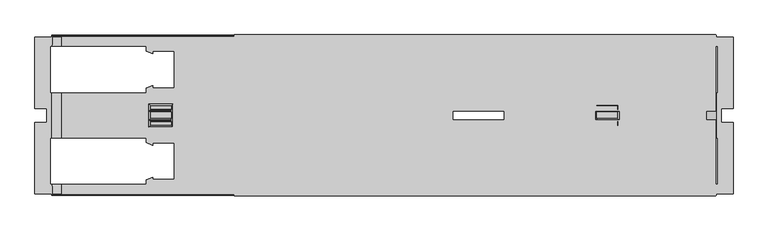
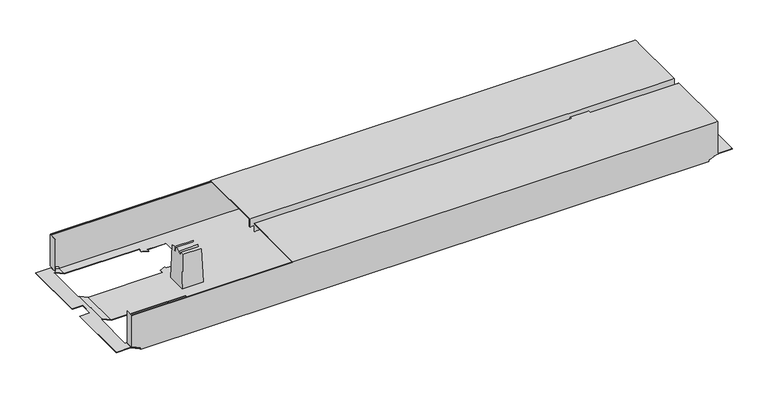
"""IFC4 building model written with IfcOpenShell, lengths in millimetres: furniture geometry."""

from ifc_helpers import new_model, si_unit, origin, place, context, project, spatial, triangles, source, transform, mapped, element, save


def furniture_a58c804f(model_context):
    return source(origin(), model_context, "Body", "Tessellation", [
        triangles([(-1197.9848923, 8921.9879526, 526.9999909), (-1197.9848923, 8921.9879526, 507.9999879), (-169.9848678, 8921.9879526, 526.9999909), (-169.9848678, 8921.9879526, 507.9999879), (-1197.9848923, 8760.8879022, 526.9999909), (-169.9848678, 8760.8879022, 526.9999909), (-1197.9848923, 8760.8879022, 507.9999879), (-169.9848678, 8760.8879022, 507.9999879), (-1197.9848923, 8759.8879632, 507.9999879), (-169.9848678, 8759.8879632, 507.9999879), (-1197.9848923, 8759.8879632, 528.0000026), (-169.9848678, 8759.8879632, 528.0000026), (-1197.9848923, 8922.9878915, 528.0000026), (-169.9848678, 8922.9878915, 528.0000026), (-1197.9848923, 8922.9878915, 507.9999879), (-169.9848678, 8922.9878915, 507.9999879), (-1197.9848923, 8740.088009, 526.9999909), (-1197.9848923, 8740.088009, 507.9999879), (-169.9848678, 8740.088009, 526.9999909), (-169.9848678, 8740.088009, 507.9999879), (-1197.9848923, 8578.9879587, 526.9999909), (-169.9848678, 8578.9879587, 526.9999909), (-1197.9848923, 8578.9879587, 507.9999879), (-169.9848678, 8578.9879587, 507.9999879), (-1197.9848923, 8577.9880197, 507.9999879), (-169.9848678, 8577.9880197, 507.9999879), (-1197.9848923, 8577.9880197, 528.0000026), (-169.9848678, 8577.9880197, 528.0000026), (-1197.9848923, 8741.087948, 528.0000026), (-169.9848678, 8741.087948, 528.0000026), (-1197.9848923, 8741.087948, 507.9999879), (-169.9848678, 8741.087948, 507.9999879), (-1565.4849169, 8578.9879587, 432.000012), (-190.4848701, 8578.9879587, 432.000012), (-1565.4849169, 8578.9879587, 435.9999859), (-190.4848701, 8578.9879587, 435.9999859), (-1585.4848589, 8578.9879587, 445.3260155), (-170.4848645, 8578.9879587, 445.3260155), (-1585.4848589, 8578.9879587, 526.0000156), (-170.4848645, 8578.9879587, 526.0000156), (-168.4848685, 8578.9879587, 445.3260155), (-168.4848685, 8578.9879587, 526.0000156), (-1587.4848822, 8578.9879587, 526.0000156), (-1587.4848822, 8578.9879587, 445.3260155), (-620.8848708, 8789.6878885, 432.000012), (-430.5848586, 8691.6880563, 432.000012), (-620.8848708, 8711.2880227, 432.000012), (-430.5848586, 8613.2881906, 432.000012), (-681.0848663, 8700.4881006, 432.000012), (-1325.3848921, 8613.2881906, 432.000012), (-731.0848303, 8700.4881006, 432.000012), (-1325.3848921, 8691.6880563, 432.000012), (-1325.3848921, 8809.2884363, 432.000012), (-1385.5848513, 8798.4879327, 432.000012), (-1371.7848215, 8809.2884363, 432.000012), (-1385.5848513, 8808.7721887, 432.000012), (-1371.7848215, 8814.4881189, 432.000012), (-667.2848729, 8789.6878885, 432.000012), (-681.0848663, 8800.488392, 432.000012), (-430.5848586, 8887.688302, 432.000012), (-430.5848586, 8809.2884363, 432.000012), (-667.2848729, 8784.4882059, 432.000012), (-681.0848663, 8790.1058862, 432.000012), (-1325.3848921, 8887.688302, 432.000012), (-731.0848303, 8800.488392, 432.000012), (-667.2848729, 8711.2880227, 432.000012), (-681.0848663, 8710.870025, 432.000012), (-667.2848729, 8716.4882867, 432.000012), (-1385.5848513, 8602.4882684, 432.000012), (-370.384863, 8602.4882684, 432.000012), (-190.4848701, 8582.4883264, 432.000012), (-189.4848675, 8602.4882684, 432.000012), (-189.4848675, 8582.4883264, 432.000012), (-1565.4849169, 8582.4883264, 432.000012), (-1566.4848559, 8602.4882684, 432.000012), (-1566.4848559, 8582.4883264, 432.000012), (-1385.5848513, 8612.771943, 432.000012), (-1371.7848215, 8613.2881906, 432.000012), (-384.1848746, 8613.2881906, 432.000012), (-1371.7848215, 8618.4878732, 432.000012), (-1385.5848513, 8702.4879785, 432.000012), (-1371.7848215, 8691.6880563, 432.000012), (-1385.5848513, 8692.2043039, 432.000012), (-1371.7848215, 8686.4883737, 432.000012), (-1566.4848559, 8702.4879785, 432.000012), (-1566.4848559, 8798.4879327, 432.000012), (-1371.7848215, 8887.688302, 432.000012), (-1385.5848513, 8898.4882242, 432.000012), (-370.384863, 8898.4882242, 432.000012), (-384.1848746, 8887.688302, 432.000012), (-370.384863, 8888.2039682, 432.000012), (-384.1848746, 8882.488038, 432.000012), (-1371.7848215, 8882.488038, 432.000012), (-1385.5848513, 8888.2039682, 432.000012), (-1566.4848559, 8898.4882242, 432.000012), (-1565.4849169, 8918.4881662, 432.000012), (-1565.4849169, 8921.9879526, 432.000012), (-190.4848701, 8921.9879526, 432.000012), (-1566.4848559, 8918.4881662, 432.000012), (-190.4848701, 8918.4881662, 432.000012), (-189.4848675, 8898.4882242, 432.000012), (-189.4848675, 8918.4881662, 432.000012), (-384.1848746, 8809.2884363, 432.000012), (-370.384863, 8798.4879327, 432.000012), (-370.384863, 8702.4879785, 432.000012), (-384.1848746, 8691.6880563, 432.000012), (-370.384863, 8692.2043039, 432.000012), (-384.1848746, 8686.4883737, 432.000012), (-384.1848746, 8814.4881189, 432.000012), (-370.384863, 8808.7721887, 432.000012), (-189.4848675, 8798.4879327, 432.000012), (-189.4848675, 8702.4879785, 432.000012), (-384.1848746, 8618.4878732, 432.000012), (-370.384863, 8612.771943, 432.000012), (-620.8848708, 8711.2880227, 432.9999873), (-430.5848586, 8809.2884363, 432.9999873), (-620.8848708, 8789.6878885, 432.9999873), (-430.5848586, 8887.688302, 432.9999873), (-681.0848663, 8800.488392, 432.9999873), (-1325.3848921, 8887.688302, 432.9999873), (-731.0848303, 8800.488392, 432.9999873), (-1325.3848921, 8809.2884363, 432.9999873), (-1325.3848921, 8691.6880563, 432.9999873), (-1385.5848513, 8702.4879785, 432.9999873), (-1371.7848215, 8691.6880563, 432.9999873), (-1385.5848513, 8692.2043039, 432.9999873), (-1371.7848215, 8686.4883737, 432.9999873), (-667.2848729, 8711.2880227, 432.9999873), (-681.0848663, 8700.4881006, 432.9999873), (-430.5848586, 8613.2881906, 432.9999873), (-430.5848586, 8691.6880563, 432.9999873), (-667.2848729, 8716.4882867, 432.9999873), (-681.0848663, 8710.870025, 432.9999873), (-1325.3848921, 8613.2881906, 432.9999873), (-731.0848303, 8700.4881006, 432.9999873), (-667.2848729, 8789.6878885, 432.9999873), (-681.0848663, 8790.1058862, 432.9999873), (-667.2848729, 8784.4882059, 432.9999873), (-189.7068653, 8898.4882242, 432.9999873), (-190.4848701, 8918.4881662, 432.9999873), (-370.384863, 8898.4882242, 432.9999873), (-190.4848701, 8920.9880136, 432.9999873), (-1385.5848513, 8898.4882242, 432.9999873), (-1565.4849169, 8920.9880136, 432.9999873), (-1565.4849169, 8918.4881662, 432.9999873), (-189.7068653, 8918.4881662, 432.9999873), (-1566.2629218, 8918.4881662, 432.9999873), (-1566.2629218, 8898.4882242, 432.9999873), (-1385.5848513, 8888.2039682, 432.9999873), (-1371.7848215, 8887.688302, 432.9999873), (-384.1848746, 8887.688302, 432.9999873), (-1371.7848215, 8882.488038, 432.9999873), (-1385.5848513, 8798.4879327, 432.9999873), (-1371.7848215, 8809.2884363, 432.9999873), (-1385.5848513, 8808.7721887, 432.9999873), (-1371.7848215, 8814.4881189, 432.9999873), (-1566.2629218, 8798.4879327, 432.9999873), (-1566.2629218, 8702.4879785, 432.9999873), (-1371.7848215, 8613.2881906, 432.9999873), (-1385.5848513, 8602.4882684, 432.9999873), (-370.384863, 8602.4882684, 432.9999873), (-384.1848746, 8613.2881906, 432.9999873), (-370.384863, 8612.771943, 432.9999873), (-384.1848746, 8618.4878732, 432.9999873), (-1371.7848215, 8618.4878732, 432.9999873), (-1385.5848513, 8612.771943, 432.9999873), (-1566.2629218, 8602.4882684, 432.9999873), (-1565.4849169, 8582.4883264, 432.9999873), (-1565.4849169, 8579.9878976, 432.9999873), (-190.4848701, 8579.9878976, 432.9999873), (-1566.2629218, 8582.4883264, 432.9999873), (-190.4848701, 8582.4883264, 432.9999873), (-189.7068653, 8602.4882684, 432.9999873), (-189.7068653, 8582.4883264, 432.9999873), (-384.1848746, 8691.6880563, 432.9999873), (-370.384863, 8702.4879785, 432.9999873), (-370.384863, 8798.4879327, 432.9999873), (-384.1848746, 8809.2884363, 432.9999873), (-370.384863, 8808.7721887, 432.9999873), (-384.1848746, 8814.4881189, 432.9999873), (-384.1848746, 8686.4883737, 432.9999873), (-370.384863, 8692.2043039, 432.9999873), (-189.7068653, 8702.4879785, 432.9999873), (-189.7068653, 8798.4879327, 432.9999873), (-384.1848746, 8882.488038, 432.9999873), (-370.384863, 8888.2039682, 432.9999873), (-1565.4849169, 8579.9878976, 435.9999859), (-190.4848701, 8579.9878976, 435.9999859), (-1585.4848589, 8579.9878976, 445.3260155), (-170.4848645, 8579.9878976, 445.3260155), (-170.4848645, 8579.9878976, 511.9999981), (-169.4848619, 8579.9878976, 445.3260155), (-169.4848619, 8579.9878976, 526.0000156), (-170.4848645, 8579.9878976, 526.0000156), (-1585.4848589, 8579.9878976, 511.9999981), (-1586.4847979, 8579.9878976, 445.3260155), (-1586.4847979, 8579.9878976, 526.0000156), (-1585.4848589, 8579.9878976, 526.0000156), (-1585.4848589, 8919.9880746, 526.0000156), (-170.4848645, 8919.9880746, 526.0000156), (-1585.4848589, 8920.28108, 526.7069856), (-170.4848645, 8920.28108, 526.7069856), (-1585.4848589, 8920.9880136, 526.9999909), (-170.4848645, 8920.9880136, 526.9999909), (-1585.4848589, 8921.6949472, 526.7069856), (-170.4848645, 8921.6949472, 526.7069856), (-1585.4848589, 8921.9879526, 526.0000156), (-170.4848645, 8921.9879526, 526.0000156), (-1585.4848589, 8919.9880746, 511.9999981), (-170.4848645, 8919.9880746, 511.9999981), (-1585.4848589, 8920.9880136, 511.9999981), (-170.4848645, 8920.9880136, 511.9999981), (-1585.4848589, 8580.988418, 511.9999981), (-170.4848645, 8580.988418, 511.9999981), (-1585.4848589, 8580.988418, 526.0000156), (-170.4848645, 8580.988418, 526.0000156), (-1585.4848589, 8579.280964, 526.7069856), (-170.4848645, 8579.280964, 526.7069856), (-1585.4848589, 8579.9878976, 526.9999909), (-170.4848645, 8579.9878976, 526.9999909), (-1585.4848589, 8580.6954126, 526.7069856), (-170.4848645, 8580.6954126, 526.7069856), (-1585.4848589, 8921.9879526, 445.3260155), (-1587.4848822, 8921.9879526, 445.3260155), (-1587.4848822, 8921.9879526, 526.0000156), (-170.4848645, 8921.9879526, 445.3260155), (-168.4848685, 8921.9879526, 526.0000156), (-168.4848685, 8921.9879526, 445.3260155), (-1565.4849169, 8921.9879526, 435.9999859), (-190.4848701, 8921.9879526, 435.9999859), (-170.4848645, 8920.9880136, 445.3260155), (-1585.4848589, 8920.9880136, 445.3260155), (-190.4848701, 8920.9880136, 435.9999859), (-1565.4849169, 8920.9880136, 435.9999859), (-169.4848619, 8920.9880136, 445.3260155), (-169.4848619, 8920.9880136, 526.0000156), (-170.4848645, 8920.9880136, 526.0000156), (-1586.4847979, 8920.9880136, 445.3260155), (-1586.4847979, 8920.9880136, 526.0000156), (-1585.4848589, 8920.9880136, 526.0000156), (-168.0398647, 8702.4879785, 441.999983), (-168.0398647, 8798.4879327, 441.999983), (-165.3848669, 8702.4879785, 441.999983), (-165.3848669, 8798.4879327, 441.999983), (-157.4848677, 8765.4882028, 441.999983), (-165.3848669, 8898.4882242, 441.999983), (-132.4848675, 8918.4881662, 441.999983), (-168.0398647, 8918.4881662, 441.999983), (-168.0398647, 8898.4882242, 441.999983), (-132.4848675, 8765.4882028, 441.999983), (-157.4848677, 8735.4882898, 441.999983), (-165.3848669, 8602.4882684, 441.999983), (-132.4848675, 8582.4883264, 441.999983), (-168.0398647, 8582.4883264, 441.999983), (-132.4848675, 8735.4882898, 441.999983), (-168.0398647, 8602.4882684, 441.999983), (-165.3848669, 8702.4879785, 442.9999947), (-165.3848669, 8602.4882684, 442.9999947), (-168.2618625, 8798.4879327, 442.9999947), (-168.2618625, 8702.4879785, 442.9999947), (-165.3848669, 8898.4882242, 442.9999947), (-165.3848669, 8798.4879327, 442.9999947), (-157.4848677, 8765.4882028, 442.9999947), (-132.4848675, 8918.4881662, 442.9999947), (-168.2618625, 8918.4881662, 442.9999947), (-157.4848677, 8735.4882898, 442.9999947), (-132.4848675, 8582.4883264, 442.9999947), (-168.2618625, 8582.4883264, 442.9999947), (-168.2618625, 8602.4882684, 442.9999947), (-132.4848675, 8735.4882898, 442.9999947), (-132.4848675, 8765.4882028, 442.9999947), (-168.2618625, 8898.4882242, 442.9999947), (-169.4848619, 8901.9880105, 526.0000156), (-169.4848619, 8901.9880105, 445.3260155), (-168.4848685, 8901.9880105, 445.3260155), (-168.4848685, 8901.9880105, 526.0000156), (-169.4848619, 8598.9879007, 445.3260155), (-169.4848619, 8598.9879007, 526.0000156), (-168.4848685, 8598.9879007, 445.3260155), (-168.4848685, 8598.9879007, 526.0000156), (-1587.4848822, 8598.9879007, 526.0000156), (-1587.4848822, 8598.9879007, 445.3260155), (-1586.4847979, 8598.9879007, 526.0000156), (-1586.4847979, 8598.9879007, 445.3260155), (-1587.4848822, 8901.9880105, 445.3260155), (-1587.4848822, 8901.9880105, 526.0000156), (-1586.4847979, 8901.9880105, 445.3260155), (-1586.4847979, 8901.9880105, 526.0000156), (-1587.7078337, 8798.4879327, 442.9999947), (-1587.7078337, 8702.4879785, 442.9999947), (-1587.9299132, 8702.4879785, 441.999983), (-1587.9299132, 8798.4879327, 441.999983), (-1590.5848383, 8602.4882684, 441.999983), (-1598.4849375, 8735.4882898, 441.999983), (-1590.5848383, 8702.4879785, 441.999983), (-1598.4849375, 8765.4882028, 441.999983), (-1590.5848383, 8798.4879327, 441.999983), (-1590.5848383, 8898.4882242, 441.999983), (-1623.484865, 8918.4881662, 441.999983), (-1587.9299132, 8918.4881662, 441.999983), (-1587.9299132, 8602.4882684, 441.999983), (-1587.9299132, 8582.4883264, 441.999983), (-1623.484865, 8582.4883264, 441.999983), (-1623.484865, 8735.4882898, 441.999983), (-1623.484865, 8765.4882028, 441.999983), (-1587.9299132, 8898.4882242, 441.999983), (-1623.484865, 8735.4882898, 442.9999947), (-1623.484865, 8582.4883264, 442.9999947), (-1598.4849375, 8735.4882898, 442.9999947), (-1590.5848383, 8602.4882684, 442.9999947), (-1590.5848383, 8702.4879785, 442.9999947), (-1587.7078337, 8582.4883264, 442.9999947), (-1587.7078337, 8602.4882684, 442.9999947), (-1590.5848383, 8798.4879327, 442.9999947), (-1598.4849375, 8765.4882028, 442.9999947), (-1590.5848383, 8898.4882242, 442.9999947), (-1623.484865, 8918.4881662, 442.9999947), (-1587.7078337, 8918.4881662, 442.9999947), (-1587.7078337, 8898.4882242, 442.9999947), (-1623.484865, 8765.4882028, 442.9999947), (-378.4528662, 8743.587214, 519.5000127), (-378.1038686, 8741.5879175, 509.5000053), (-378.4528662, 8757.3892785, 519.5000127), (-378.1038686, 8759.3879938, 509.5000053), (-375.4848606, 8725.9882883, 433.4999931), (-375.4848606, 8774.9882043, 433.4999931), (-378.1038686, 8739.5880395, 509.5000053), (-378.4178574, 8728.9212488, 518.500001), (-378.4178574, 8737.7893121, 518.500001), (-378.1038686, 8761.3878717, 509.5000053), (-378.4178574, 8772.0552438, 518.500001), (-378.4178574, 8763.1871805, 518.500001), (-423.516867, 8743.587214, 519.5000127), (-423.516867, 8757.3892785, 519.5000127), (-423.8658646, 8741.5879175, 509.5000053), (-423.8658646, 8759.3879938, 509.5000053), (-426.4848545, 8725.9882883, 433.4999931), (-426.4848545, 8774.9882043, 433.4999931), (-423.8658646, 8761.3878717, 509.5000053), (-423.5518576, 8772.0552438, 518.500001), (-423.5518576, 8763.1871805, 518.500001), (-423.8658646, 8739.5880395, 509.5000053), (-423.5518576, 8728.9212488, 518.500001), (-423.5518576, 8737.7893121, 518.500001), (-1332.45292, 8743.587214, 519.5000127), (-1332.1038134, 8741.5879175, 509.5000053), (-1332.45292, 8757.3892785, 519.5000127), (-1332.1038134, 8759.3879938, 509.5000053), (-1329.4849326, 8725.9882883, 433.4999931), (-1329.4849326, 8774.9882043, 433.4999931), (-1332.1038134, 8739.5880395, 509.5000053), (-1332.4178931, 8728.9212488, 518.500001), (-1332.4178931, 8737.7893121, 518.500001), (-1332.1038134, 8761.3878717, 509.5000053), (-1332.4178931, 8772.0552438, 518.500001), (-1332.4178931, 8763.1871805, 518.500001), (-1377.5168845, 8743.587214, 519.5000127), (-1377.5168845, 8757.3892785, 519.5000127), (-1377.8658457, 8741.5879175, 509.5000053), (-1377.8658457, 8759.3879938, 509.5000053), (-1380.4848719, 8725.9882883, 433.4999931), (-1380.4848719, 8774.9882043, 433.4999931), (-1377.8658457, 8761.3878717, 509.5000053), (-1377.5519114, 8772.0552438, 518.500001), (-1377.5519114, 8763.1871805, 518.500001), (-1377.8658457, 8739.5880395, 509.5000053), (-1377.5519114, 8728.9212488, 518.500001), (-1377.5519114, 8737.7893121, 518.500001)], [[1, 2, 3], [3, 2, 4], [5, 1, 6], [6, 1, 3], [7, 5, 8], [8, 5, 6], [9, 7, 10], [10, 7, 8], [11, 9, 12], [12, 9, 10], [13, 11, 14], [14, 11, 12], [15, 13, 16], [16, 13, 14], [2, 15, 4], [4, 15, 16], [2, 1, 15], [15, 1, 13], [13, 1, 5], [13, 5, 11], [11, 5, 9], [9, 5, 7], [4, 16, 3], [14, 3, 16], [6, 3, 14], [12, 6, 14], [10, 6, 12], [10, 8, 6], [17, 18, 19], [19, 18, 20], [21, 17, 22], [22, 17, 19], [23, 21, 24], [24, 21, 22], [25, 23, 26], [26, 23, 24], [27, 25, 28], [28, 25, 26], [29, 27, 30], [30, 27, 28], [31, 29, 32], [32, 29, 30], [18, 31, 20], [20, 31, 32], [18, 17, 31], [31, 17, 29], [29, 17, 21], [29, 21, 27], [27, 21, 25], [25, 21, 23], [20, 32, 19], [30, 19, 32], [22, 19, 30], [28, 22, 30], [26, 22, 28], [26, 24, 22], [33, 34, 35], [35, 34, 36], [37, 35, 36], [37, 36, 38], [37, 38, 39], [39, 38, 40], [40, 38, 41], [40, 41, 42], [39, 43, 37], [37, 43, 44], [45, 46, 47], [47, 46, 48], [49, 47, 48], [50, 49, 48], [49, 50, 51], [51, 50, 52], [51, 52, 53], [53, 52, 54], [53, 54, 55], [55, 54, 56], [57, 55, 56], [45, 58, 59], [60, 45, 59], [45, 60, 61], [62, 63, 58], [58, 63, 59], [60, 59, 64], [64, 59, 65], [64, 65, 53], [53, 65, 51], [47, 49, 66], [66, 49, 67], [68, 66, 67], [33, 69, 34], [34, 69, 70], [34, 70, 71], [71, 70, 72], [71, 72, 73], [33, 74, 69], [69, 74, 75], [75, 74, 76], [69, 77, 78], [69, 78, 50], [69, 50, 70], [70, 50, 48], [70, 48, 79], [77, 80, 78], [54, 52, 81], [81, 52, 82], [81, 82, 83], [83, 82, 84], [85, 86, 81], [81, 86, 54], [64, 87, 88], [89, 64, 88], [64, 89, 60], [60, 89, 90], [90, 89, 91], [92, 90, 91], [93, 94, 87], [87, 94, 88], [95, 96, 88], [88, 96, 97], [98, 88, 97], [95, 99, 96], [88, 98, 89], [89, 98, 100], [89, 100, 101], [101, 100, 102], [61, 103, 104], [61, 104, 105], [61, 105, 46], [46, 105, 106], [106, 105, 107], [108, 106, 107], [109, 110, 103], [103, 110, 104], [111, 112, 104], [104, 112, 105], [113, 114, 79], [79, 114, 70], [45, 61, 46], [115, 116, 117], [117, 116, 118], [119, 117, 118], [120, 119, 118], [119, 120, 121], [121, 120, 122], [121, 122, 123], [123, 122, 124], [123, 124, 125], [125, 124, 126], [127, 125, 126], [115, 128, 129], [130, 115, 129], [115, 130, 131], [132, 133, 128], [128, 133, 129], [130, 129, 134], [134, 129, 135], [134, 135, 123], [123, 135, 121], [117, 119, 136], [136, 119, 137], [138, 136, 137], [139, 140, 141], [141, 140, 142], [143, 141, 142], [144, 143, 142], [143, 144, 145], [139, 146, 140], [147, 148, 145], [145, 148, 143], [143, 149, 150], [143, 150, 120], [143, 120, 141], [141, 120, 118], [141, 118, 151], [149, 152, 150], [124, 122, 153], [153, 122, 154], [153, 154, 155], [155, 154, 156], [157, 158, 153], [153, 158, 124], [134, 159, 160], [161, 134, 160], [134, 161, 130], [130, 161, 162], [162, 161, 163], [164, 162, 163], [165, 166, 159], [159, 166, 160], [167, 168, 160], [160, 168, 169], [170, 160, 169], [167, 171, 168], [160, 170, 161], [161, 170, 172], [161, 172, 173], [173, 172, 174], [131, 175, 176], [131, 176, 177], [131, 177, 116], [116, 177, 178], [178, 177, 179], [180, 178, 179], [181, 182, 175], [175, 182, 176], [183, 184, 176], [176, 184, 177], [185, 186, 151], [151, 186, 141], [115, 131, 116], [169, 187, 170], [170, 187, 188], [188, 187, 189], [190, 188, 189], [190, 189, 191], [190, 191, 192], [192, 191, 193], [193, 191, 194], [191, 189, 195], [195, 189, 196], [197, 195, 196], [197, 198, 195], [199, 200, 201], [201, 200, 202], [201, 202, 203], [203, 202, 204], [203, 204, 205], [205, 204, 206], [205, 206, 207], [207, 206, 208], [209, 210, 199], [199, 210, 200], [211, 212, 209], [209, 212, 210], [213, 214, 195], [195, 214, 191], [215, 216, 213], [213, 216, 214], [39, 40, 217], [217, 40, 218], [217, 218, 219], [219, 218, 220], [219, 220, 221], [221, 220, 222], [221, 222, 215], [215, 222, 216], [208, 223, 207], [207, 223, 224], [207, 224, 225], [223, 208, 226], [226, 208, 227], [226, 227, 228], [223, 226, 229], [229, 226, 230], [229, 230, 97], [97, 230, 98], [231, 232, 233], [233, 232, 234], [233, 234, 144], [232, 231, 212], [212, 231, 235], [236, 212, 235], [236, 237, 212], [212, 211, 232], [232, 211, 238], [238, 211, 239], [239, 211, 240], [144, 142, 233], [45, 47, 117], [117, 47, 115], [47, 66, 115], [115, 66, 128], [133, 132, 67], [67, 132, 68], [67, 49, 133], [133, 49, 129], [49, 51, 129], [129, 51, 135], [58, 45, 136], [136, 45, 117], [137, 119, 63], [63, 119, 59], [63, 62, 137], [137, 62, 138], [65, 59, 121], [121, 59, 119], [62, 58, 138], [138, 58, 136], [51, 65, 135], [135, 65, 121], [132, 128, 68], [68, 128, 66], [46, 106, 131], [131, 106, 175], [106, 108, 175], [175, 108, 181], [48, 46, 130], [130, 46, 131], [108, 107, 181], [181, 107, 182], [107, 105, 182], [182, 105, 176], [70, 114, 161], [161, 114, 163], [114, 113, 163], [163, 113, 164], [113, 79, 164], [164, 79, 162], [79, 48, 162], [162, 48, 130], [109, 103, 180], [180, 103, 178], [103, 61, 178], [178, 61, 116], [104, 110, 177], [177, 110, 179], [110, 109, 179], [179, 109, 180], [61, 60, 116], [116, 60, 118], [60, 90, 118], [118, 90, 151], [91, 89, 186], [186, 89, 141], [186, 185, 91], [91, 185, 92], [185, 151, 92], [92, 151, 90], [241, 242, 243], [243, 242, 244], [243, 244, 245], [245, 244, 246], [245, 246, 247], [247, 246, 248], [248, 246, 249], [247, 250, 245], [245, 251, 243], [252, 243, 251], [253, 252, 251], [252, 253, 254], [251, 255, 253], [254, 256, 252], [243, 252, 257], [257, 252, 258], [111, 242, 112], [112, 242, 241], [259, 184, 260], [260, 184, 183], [246, 244, 261], [261, 244, 262], [260, 257, 259], [259, 257, 262], [262, 257, 263], [261, 262, 263], [264, 261, 263], [261, 264, 265], [263, 257, 266], [266, 257, 258], [266, 258, 267], [267, 258, 268], [268, 258, 269], [267, 270, 266], [263, 271, 264], [265, 272, 261], [273, 236, 274], [274, 236, 235], [275, 228, 276], [276, 228, 227], [102, 248, 101], [101, 248, 249], [265, 146, 272], [272, 146, 139], [264, 271, 247], [247, 271, 250], [271, 263, 250], [250, 263, 245], [270, 267, 255], [255, 267, 253], [255, 251, 270], [270, 251, 266], [263, 266, 245], [245, 266, 251], [72, 256, 73], [73, 256, 254], [174, 268, 173], [173, 268, 269], [277, 192, 278], [278, 192, 193], [277, 278, 279], [279, 278, 280], [41, 279, 42], [42, 279, 280], [277, 279, 192], [41, 192, 279], [38, 192, 41], [38, 190, 192], [275, 276, 274], [274, 276, 273], [81, 83, 124], [124, 83, 126], [83, 84, 126], [126, 84, 127], [82, 52, 125], [125, 52, 123], [52, 50, 123], [123, 50, 134], [50, 78, 134], [134, 78, 159], [166, 165, 77], [77, 165, 80], [77, 69, 166], [166, 69, 160], [78, 80, 159], [159, 80, 165], [84, 82, 127], [127, 82, 125], [53, 55, 122], [122, 55, 154], [55, 57, 154], [154, 57, 156], [57, 56, 156], [156, 56, 155], [152, 149, 93], [93, 149, 94], [93, 87, 152], [152, 87, 150], [87, 64, 150], [150, 64, 120], [88, 94, 143], [143, 94, 149], [56, 54, 155], [155, 54, 153], [64, 53, 120], [120, 53, 122], [43, 281, 44], [44, 281, 282], [283, 197, 284], [284, 197, 196], [224, 285, 225], [225, 285, 286], [287, 285, 238], [224, 238, 285], [223, 238, 224], [223, 232, 238], [239, 288, 238], [238, 288, 287], [157, 289, 158], [158, 289, 290], [85, 291, 86], [86, 291, 292], [293, 294, 295], [295, 294, 296], [295, 296, 297], [298, 297, 296], [299, 298, 296], [298, 299, 300], [301, 302, 293], [293, 302, 303], [294, 293, 303], [294, 303, 304], [296, 305, 299], [300, 306, 298], [297, 292, 295], [295, 292, 291], [307, 308, 309], [309, 308, 310], [309, 310, 311], [308, 312, 310], [310, 312, 313], [290, 289, 311], [311, 289, 314], [311, 314, 315], [315, 314, 316], [315, 316, 317], [317, 316, 318], [318, 316, 319], [317, 320, 315], [315, 309, 311], [297, 298, 314], [314, 298, 316], [293, 295, 310], [310, 295, 311], [283, 284, 281], [281, 284, 282], [312, 171, 313], [313, 171, 167], [143, 148, 88], [88, 148, 95], [95, 148, 306], [319, 306, 148], [306, 319, 316], [316, 298, 306], [145, 96, 147], [147, 96, 99], [300, 147, 99], [299, 317, 300], [318, 300, 317], [147, 300, 318], [140, 100, 142], [98, 142, 100], [230, 142, 98], [230, 233, 142], [248, 102, 146], [146, 102, 100], [146, 100, 140], [146, 265, 248], [264, 248, 265], [248, 264, 247], [177, 184, 104], [104, 184, 111], [111, 184, 242], [259, 242, 184], [242, 259, 262], [262, 244, 242], [257, 260, 241], [183, 241, 260], [241, 183, 112], [112, 183, 105], [105, 183, 176], [241, 243, 257], [161, 173, 70], [70, 173, 72], [72, 173, 256], [269, 256, 173], [256, 269, 258], [258, 252, 256], [267, 268, 254], [174, 254, 268], [254, 174, 73], [73, 174, 71], [71, 174, 172], [254, 253, 267], [168, 74, 169], [33, 169, 74], [35, 169, 33], [35, 187, 169], [95, 306, 99], [99, 306, 300], [76, 302, 75], [75, 302, 301], [147, 318, 148], [148, 318, 319], [297, 314, 292], [292, 314, 289], [157, 292, 289], [153, 54, 157], [86, 157, 54], [292, 157, 86], [293, 310, 301], [301, 310, 313], [167, 301, 313], [160, 69, 167], [75, 167, 69], [301, 167, 75], [312, 302, 171], [76, 171, 302], [171, 76, 74], [312, 308, 302], [302, 308, 303], [74, 168, 171], [304, 303, 307], [307, 303, 308], [307, 309, 304], [304, 309, 294], [309, 315, 294], [294, 315, 296], [315, 320, 296], [296, 320, 305], [320, 317, 305], [305, 317, 299], [124, 158, 81], [81, 158, 85], [85, 158, 291], [290, 291, 158], [291, 290, 311], [311, 295, 291], [35, 37, 187], [187, 37, 189], [189, 37, 196], [44, 196, 37], [282, 196, 44], [282, 284, 196], [283, 281, 197], [43, 197, 281], [39, 197, 43], [39, 198, 197], [39, 217, 198], [198, 217, 219], [198, 219, 221], [221, 215, 198], [195, 198, 213], [213, 198, 215], [214, 216, 191], [191, 216, 194], [216, 222, 194], [194, 222, 220], [194, 220, 218], [218, 40, 194], [194, 40, 193], [42, 193, 40], [280, 193, 42], [280, 278, 193], [38, 36, 190], [190, 36, 188], [188, 36, 170], [34, 170, 36], [71, 170, 34], [71, 172, 170], [246, 261, 249], [249, 261, 272], [139, 249, 272], [141, 89, 139], [101, 139, 89], [249, 139, 101], [230, 226, 233], [233, 226, 231], [231, 226, 235], [228, 235, 226], [275, 235, 228], [275, 274, 235], [273, 276, 236], [227, 236, 276], [208, 236, 227], [208, 237, 236], [208, 206, 237], [237, 206, 204], [237, 204, 202], [202, 200, 237], [212, 237, 210], [210, 237, 200], [209, 199, 211], [211, 199, 240], [199, 201, 240], [240, 201, 203], [240, 203, 205], [205, 207, 240], [240, 207, 239], [225, 239, 207], [286, 239, 225], [286, 288, 239], [286, 285, 288], [288, 285, 287], [223, 229, 232], [232, 229, 234], [234, 229, 144], [97, 144, 229], [96, 144, 97], [96, 145, 144], [323, 321, 322], [323, 322, 324], [324, 322, 325], [324, 325, 326], [322, 327, 325], [325, 327, 328], [328, 327, 329], [324, 326, 330], [331, 330, 326], [330, 331, 332], [335, 333, 334], [335, 334, 336], [337, 335, 336], [337, 336, 338], [338, 336, 339], [338, 339, 340], [340, 339, 341], [335, 337, 342], [343, 342, 337], [342, 343, 344], [321, 323, 333], [333, 323, 334], [322, 321, 333], [322, 333, 335], [334, 323, 324], [334, 324, 336], [324, 330, 336], [336, 330, 339], [330, 332, 341], [330, 341, 339], [332, 331, 341], [341, 331, 340], [340, 331, 326], [340, 326, 338], [327, 322, 342], [342, 322, 335], [344, 329, 327], [344, 327, 342], [328, 329, 343], [343, 329, 344], [325, 328, 343], [325, 343, 337], [326, 325, 338], [338, 325, 337], [347, 345, 346], [347, 346, 348], [348, 346, 349], [348, 349, 350], [346, 351, 349], [349, 351, 352], [352, 351, 353], [348, 350, 354], [355, 354, 350], [354, 355, 356], [359, 357, 358], [359, 358, 360], [361, 359, 360], [361, 360, 362], [362, 360, 363], [362, 363, 364], [364, 363, 365], [359, 361, 366], [367, 366, 361], [366, 367, 368], [345, 347, 357], [357, 347, 358], [346, 345, 357], [346, 357, 359], [358, 347, 348], [358, 348, 360], [348, 354, 360], [360, 354, 363], [354, 356, 365], [354, 365, 363], [356, 355, 365], [365, 355, 364], [364, 355, 350], [364, 350, 362], [351, 346, 366], [366, 346, 359], [368, 353, 351], [368, 351, 366], [352, 353, 367], [367, 353, 368], [349, 352, 367], [349, 367, 361], [350, 349, 362], [362, 349, 361]]),
    ])


if __name__ == "__main__":
    model = new_model("IFC4")
    model_context = context("Model", 3, world=origin())
    ifc_project = project(units=[si_unit("LENGTHUNIT", "METRE", prefix="MILLI")], contexts=[model_context])
    site = spatial("IfcSite", under=ifc_project)
    building = spatial("IfcBuilding", under=site)
    placement = place(None, origin())
    furniture_shape = furniture_a58c804f(model_context)
    element("IfcFurniture", 1, at=placement, inside=building, context=model_context, shape_type="MappedRepresentation", body=[
        mapped(furniture_shape, transform((0.0, 0.0, 0.0), x_axis=(1.0, 0.0, 0.0), y_axis=(0.0, 1.0, 0.0), z_axis=(0.0, 0.0, 1.0))),
    ])
    save(model, "model.ifc")
